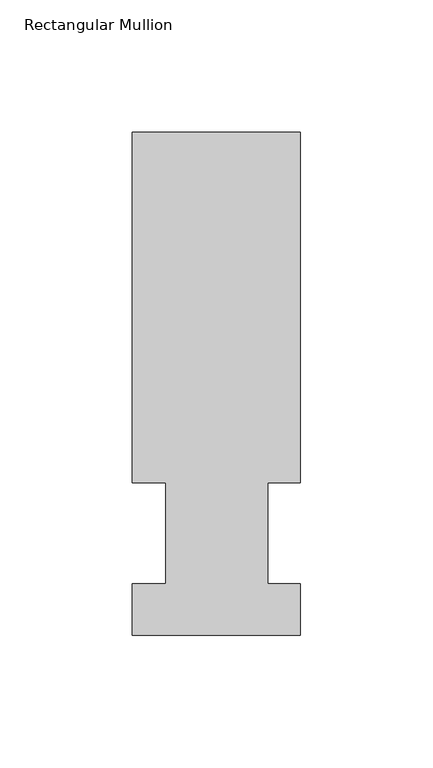
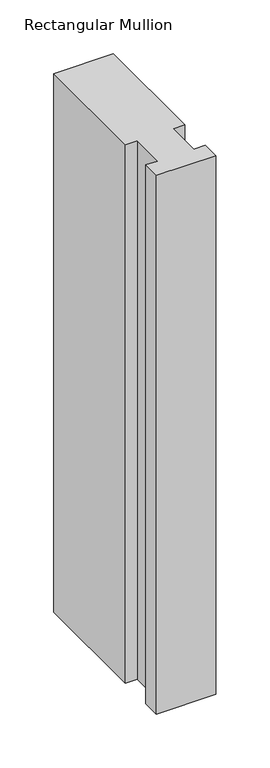
"""IFC4 building model written with IfcOpenShell, lengths in millimetres: member geometry, Rectangular Mullion."""

import ifcopenshell
import ifcopenshell.guid

model = None  # the IFC model being written
_history = None  # IfcOwnerHistory: only IFC2X3 demands one
_inside = {}  # id of a spatial element -> (the spatial element, [elements in it])
_under = {}  # id of a project, library or spatial element -> (it, [spatial elements below it])
_declared = {}  # id of a project -> (the project, [libraries it declares])
_typed = {}  # id of a type object -> (the type object, [elements of that type])
_made_of = {}  # id of a material, layer set ... -> (it, [elements and type objects made of it])


def new_model(schema):
    """Start an empty IFC model of exactly this schema.

    Asked for "IFC4X3", IfcOpenShell would pick the latest addendum, in which some entities
    have other attributes; the version numbers below select the first issue.
    IFC2X3 requires an IfcOwnerHistory on every rooted entity: one is made here for all.
    """
    global model, _history
    if schema == "IFC4X3":
        model = ifcopenshell.file(schema_version=(4, 3, 0, 0))
    else:
        model = ifcopenshell.file(schema=schema)
    _inside.clear()
    _under.clear()
    _declared.clear()
    _typed.clear()
    _made_of.clear()
    _history = None
    if model.schema == "IFC2X3":
        org = make("IfcOrganization", Name="unknown")
        user = make(
            "IfcPersonAndOrganization",
            ThePerson=make("IfcPerson", FamilyName="unknown"),
            TheOrganization=org,
        )
        app = make(
            "IfcApplication",
            ApplicationDeveloper=org,
            Version="unknown",
            ApplicationFullName="unknown",
            ApplicationIdentifier="unknown",
        )
        _history = make(
            "IfcOwnerHistory",
            OwningUser=user,
            OwningApplication=app,
            ChangeAction="ADDED",
            CreationDate=0,
        )
    return model


def make(cls, **values):
    """One entity of the class cls with the attributes given. An attribute that is None is left unset."""
    return model.create_entity(
        cls, **{name: value for name, value in values.items() if value is not None}
    )


def rooted(cls, **values):
    """An entity with a GlobalId (a new one), such as an element, a storey or a relation."""
    return make(cls, GlobalId=ifcopenshell.guid.new(), OwnerHistory=_history, **values)


def si_unit(unit_type, name, prefix=None):
    """IfcSIUnit, for example si_unit("LENGTHUNIT", "METRE", prefix="MILLI")."""
    return make("IfcSIUnit", UnitType=unit_type, Prefix=prefix, Name=name)


def assignment(units):
    """IfcUnitAssignment: the units of a project."""
    return None if units is None else make("IfcUnitAssignment", Units=units)


def point(xyz):
    """IfcCartesianPoint."""
    return None if xyz is None else make("IfcCartesianPoint", Coordinates=xyz)


def direction(xyz):
    """IfcDirection."""
    return None if xyz is None else make("IfcDirection", DirectionRatios=xyz)


def frame(location, z_axis=None, x_axis=None):
    """IfcAxis2Placement3D, a coordinate frame: its origin and axes. An axis left out is left unset."""
    return make(
        "IfcAxis2Placement3D",
        Location=point(location),
        Axis=direction(z_axis),
        RefDirection=direction(x_axis),
    )


def origin():
    """The frame at (0, 0, 0) with its axes left unset."""
    return frame((0.0, 0.0, 0.0))


def place(relative_to, where):
    """IfcLocalPlacement: puts the frame where relative to a parent placement (None: the world)."""
    return make(
        "IfcLocalPlacement", PlacementRelTo=relative_to, RelativePlacement=where
    )


def context(
    kind, dimensions, precision=None, world=None, true_north=None, identifier=None
):
    """IfcGeometricRepresentationContext, for example the 3D "Model" context."""
    return make(
        "IfcGeometricRepresentationContext",
        ContextIdentifier=identifier,
        ContextType=kind,
        CoordinateSpaceDimension=dimensions,
        Precision=precision,
        WorldCoordinateSystem=world,
        TrueNorth=true_north,
    )


def project(units=None, contexts=None):
    """IfcProject with its units and contexts."""
    return rooted(
        "IfcProject",
        Name="project",
        RepresentationContexts=contexts,
        UnitsInContext=assignment(units),
    )


def spatial(cls, under=None, at=None, **own):
    """A site, building, storey or space (cls), placed at a placement, below another one or the project."""
    s = rooted(cls, ObjectPlacement=at, **own)
    if under is not None:
        _under.setdefault(under.id(), (under, []))[1].append(s)
    return s


def polyline(points):
    """IfcPolyline through the points."""
    return make("IfcPolyline", Points=[point(p) for p in points])


def outline(outer, holes=None, kind="AREA"):
    """IfcArbitraryClosedProfileDef: a profile drawn as a closed curve; with holes, ...WithVoids."""
    if holes is None:
        return make("IfcArbitraryClosedProfileDef", ProfileType=kind, OuterCurve=outer)
    return make(
        "IfcArbitraryProfileDefWithVoids",
        ProfileType=kind,
        OuterCurve=outer,
        InnerCurves=holes,
    )


def extrude(swept, where, along, depth):
    """IfcExtrudedAreaSolid: the profile swept, set in the frame where, extruded along a direction by depth."""
    return make(
        "IfcExtrudedAreaSolid",
        SweptArea=swept,
        Position=where,
        ExtrudedDirection=direction(along),
        Depth=depth,
    )


def shape(context_of_items, identifier, shape_type, items):
    """IfcShapeRepresentation: the items that make up one representation, for example the "Body"."""
    return make(
        "IfcShapeRepresentation",
        ContextOfItems=context_of_items,
        RepresentationIdentifier=identifier,
        RepresentationType=shape_type,
        Items=items,
    )


def source(mapping_origin, context_of_items, identifier, shape_type, items):
    """IfcRepresentationMap: a shape defined once, which mapped items show again and again."""
    return make(
        "IfcRepresentationMap",
        MappingOrigin=mapping_origin,
        MappedRepresentation=shape(context_of_items, identifier, shape_type, items),
    )


def transform(
    local_origin,
    x_axis=None,
    y_axis=None,
    z_axis=None,
    scale=None,
    scale2=None,
    scale3=None,
    uniform=True,
):
    """IfcCartesianTransformationOperator3D, or its non-uniform kind. x_axis, y_axis, z_axis: its Axis1, 2, 3."""
    if uniform:
        return make(
            "IfcCartesianTransformationOperator3D",
            Axis1=direction(x_axis),
            Axis2=direction(y_axis),
            LocalOrigin=point(local_origin),
            Scale=scale,
            Axis3=direction(z_axis),
        )
    return make(
        "IfcCartesianTransformationOperator3DnonUniform",
        Axis1=direction(x_axis),
        Axis2=direction(y_axis),
        LocalOrigin=point(local_origin),
        Scale=scale,
        Axis3=direction(z_axis),
        Scale2=scale2,
        Scale3=scale3,
    )


def mapped(mapping_source, mapping_target):
    """IfcMappedItem: shows the shape of a source again, moved by a transform."""
    return make(
        "IfcMappedItem", MappingSource=mapping_source, MappingTarget=mapping_target
    )


def made_of(thing, what):
    """Note that an element or type object is made of a material, layer set ...; save() writes the relation."""
    if what is not None:
        _made_of.setdefault(what.id(), (what, []))[1].append(thing)
    return thing


def element(
    cls,
    number,
    at=None,
    inside=None,
    cuts=None,
    type_object=None,
    material=None,
    context=None,
    identifier="Body",
    shape_type=None,
    held_by="IfcProductDefinitionShape",
    body=None,
    shapes=None,
    **own,
):
    """One element of the class cls, such as IfcWall. Its Tag is "e" and its number.

    at: its placement. inside: the storey or other place that contains it. cuts: it is an
    opening in that element (IfcRelVoidsElement). A single representation is given by context,
    identifier, shape_type and body (its items); several are given by shapes. held_by: the class
    of the entity that holds the representations. save() writes the other relations.
    """
    e = rooted(cls, Tag="e%d" % number, ObjectPlacement=at, **own)
    if body is not None:
        shapes = [shape(context, identifier, shape_type, body)]
    if shapes is not None:
        e.Representation = make(held_by, Representations=shapes)
    if inside is not None:
        _inside.setdefault(inside.id(), (inside, []))[1].append(e)
    if cuts is not None:
        rooted(
            "IfcRelVoidsElement", RelatingBuildingElement=cuts, RelatedOpeningElement=e
        )
    if type_object is not None:
        _typed.setdefault(type_object.id(), (type_object, []))[1].append(e)
    return made_of(e, material)


def aggregate(whole, parts):
    """IfcRelAggregates: a whole, such as a stair, and the parts it consists of."""
    return rooted("IfcRelAggregates", RelatingObject=whole, RelatedObjects=parts)


def save(model, path):
    """Write the relations noted so far, then the file.

    IfcRelAggregates (storeys below a building ...), IfcRelContainedInSpatialStructure (elements
    in a storey), IfcRelDefinesByType, IfcRelAssociatesMaterial and IfcRelDeclares: one each for
    every whole, place, type object, material and project.
    """
    for whole, parts in _under.values():
        aggregate(whole, parts)
    for where, things in _inside.values():
        rooted(
            "IfcRelContainedInSpatialStructure",
            RelatedElements=things,
            RelatingStructure=where,
        )
    for kind, things in _typed.values():
        rooted("IfcRelDefinesByType", RelatedObjects=things, RelatingType=kind)
    for what, things in _made_of.values():
        rooted("IfcRelAssociatesMaterial", RelatedObjects=things, RelatingMaterial=what)
    for by, libraries in _declared.values():
        rooted("IfcRelDeclares", RelatingContext=by, RelatedDefinitions=libraries)
    model.write(path)


def rectangular_mullion_3512a775(model_context):
    return source(origin(), model_context, "Body", "SweptSolid", [
        extrude(outline(polyline([(-63.5, 57.6460937), (-63.5, 190.0816937), (0.0, 190.0816937), (0.0, 57.6460937), (-12.3418395, 57.6460937), (-12.3418395, 19.5460937), (0.0, 19.5460937), (0.0, 0.0134938), (-63.5, 0.0134938), (-63.5, 19.5460937), (-50.8, 19.5460937), (-50.8, 57.6460937), (-63.5, 57.6460937)])), frame((0.0, 0.0, -609.6), z_axis=(0.0, 0.0, 1.0), x_axis=(1.0, 0.0, 0.0)), (0.0, 0.0, 1.0), 609.6),
    ])


if __name__ == "__main__":
    model = new_model("IFC4")
    model_context = context("Model", 3, world=origin())
    ifc_project = project(units=[si_unit("LENGTHUNIT", "METRE", prefix="MILLI")], contexts=[model_context])
    site = spatial("IfcSite", under=ifc_project)
    building = spatial("IfcBuilding", under=site)
    placement = place(None, origin())
    rectangular_mullion_shape = rectangular_mullion_3512a775(model_context)
    element("IfcMember", 1, ObjectType="Rectangular Mullion", at=placement, inside=building, context=model_context, shape_type="MappedRepresentation", body=[
        mapped(rectangular_mullion_shape, transform((0.0, 0.0, 0.0), x_axis=(1.0, 0.0, 0.0), y_axis=(0.0, 1.0, 0.0), z_axis=(0.0, 0.0, 1.0))),
    ])
    save(model, "model.ifc")
